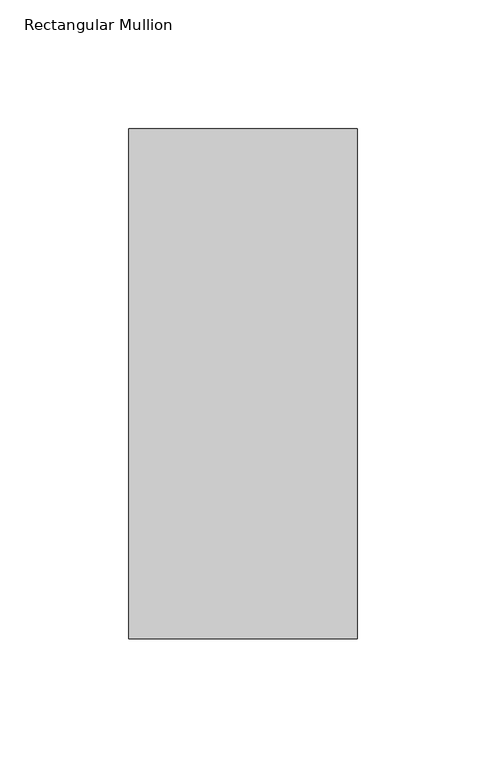
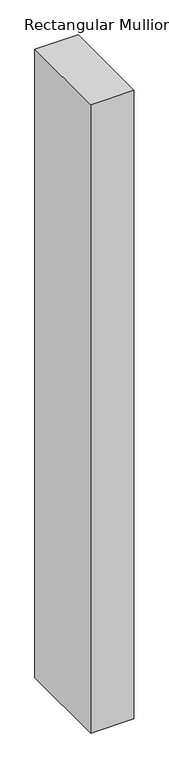
"""IFC4 building model written with IfcOpenShell, lengths in millimetres: member geometry, Rectangular Mullion."""

from ifc_helpers import new_model, si_unit, frame, origin, place, context, project, spatial, polyline, outline, extrude, source, transform, mapped, element, save


def rectangular_mullion_79bd5d7a(model_context):
    return source(origin(), model_context, "Body", "SweptSolid", [
        extrude(outline(polyline([(-88.9, 42.06875), (0.0, 42.06875), (0.0, -156.36875), (-88.9, -156.36875), (-88.9, 42.06875)])), frame((0.0, 0.0, -1364.45625), z_axis=(0.0, 0.0, 1.0), x_axis=(1.0, 0.0, 0.0)), (0.0, 0.0, 1.0), 1364.45625),
    ])


if __name__ == "__main__":
    model = new_model("IFC4")
    model_context = context("Model", 3, world=origin())
    ifc_project = project(units=[si_unit("LENGTHUNIT", "METRE", prefix="MILLI")], contexts=[model_context])
    site = spatial("IfcSite", under=ifc_project)
    building = spatial("IfcBuilding", under=site)
    placement = place(None, origin())
    rectangular_mullion_shape = rectangular_mullion_79bd5d7a(model_context)
    element("IfcMember", 1, ObjectType="Rectangular Mullion", at=placement, inside=building, context=model_context, shape_type="MappedRepresentation", body=[
        mapped(rectangular_mullion_shape, transform((0.0, 0.0, 0.0), x_axis=(1.0, 0.0, 0.0), y_axis=(0.0, 1.0, 0.0), z_axis=(0.0, 0.0, 1.0))),
    ])
    save(model, "model.ifc")
